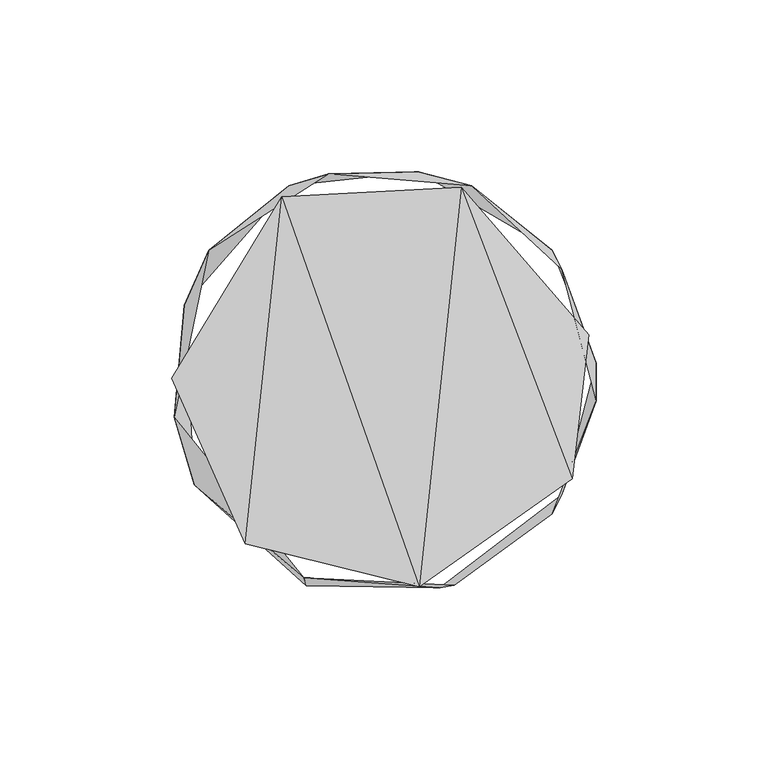
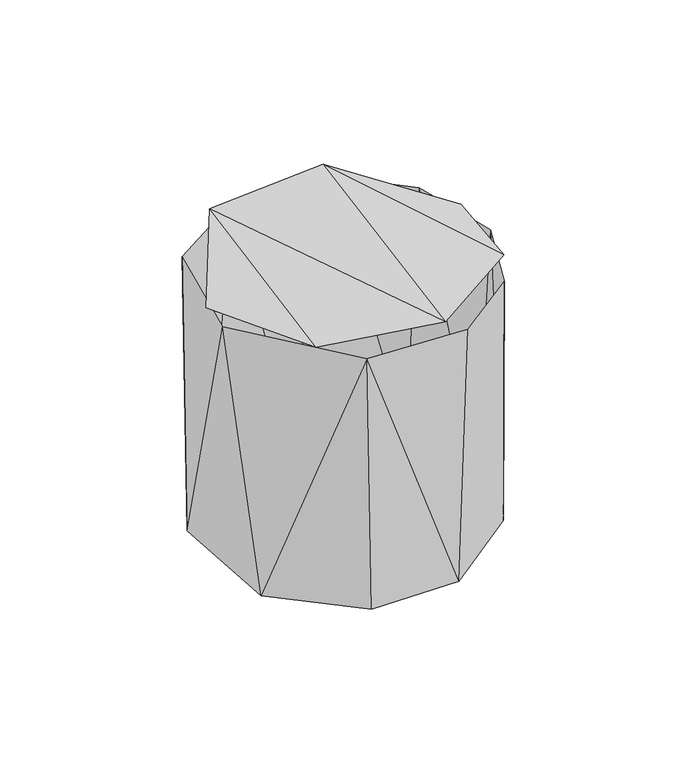
"""IFC4 building model written with IfcOpenShell, lengths in millimetres: furniture geometry."""

from ifc_helpers import new_model, si_unit, origin, place, context, project, spatial, triangles, source, transform, mapped, element, save


def furniture_f6d844e3(model_context):
    return source(origin(), model_context, "Body", "Tessellation", [
        triangles([(-28.6904385, 53.8409814, 123.4259873), (11.3433529, -59.5310729, 124.6962041), (-39.3698898, -47.0908938, 122.9261541), (23.5489759, 56.5941019, 124.6086731), (55.7461522, -28.1086381, 121.8256489), (60.6709197, 13.7290584, 118.5837411), (-60.6981301, 1.1327341, 119.625002)], [[1, 2, 3], [1, 4, 2], [4, 5, 2], [4, 6, 5], [7, 1, 3]], closed=False),
        triangles([(-28.6904385, 53.8409814, 123.4259873), (-39.3698898, -47.0908938, 122.9261541), (11.3433529, -59.5310729, 124.6962041), (23.5489759, 56.5941019, 124.6086731), (55.7461522, -28.1086381, 121.8256489), (60.6709197, 13.7290584, 118.5837411), (-60.6981301, 1.1327341, 119.625002), (-60.0051173, -10.2304223, 117.474997), (-54.1272921, -29.8500312, 0.0), (-22.3422114, -57.0189397, 117.474997), (-57.0194211, 22.3428245, 0.0), (26.6450647, 57.1077242, 117.474997), (49.9470103, 38.3261899, 0.0), (10.9843461, 61.1475122, 0.0), (52.8084318, 32.8264461, 117.474997), (-49.9469059, 38.3261672, 117.474997), (-26.644967, 57.1077152, 0.0), (-14.9731231, 60.526588, 117.474997), (62.7788307, 5.4788739, 0.0), (62.778817, -5.4777412, 117.474997), (52.8084409, -32.8253288, 0.0), (49.947024, -38.3250499, 117.474997), (17.2959487, -59.9031068, 0.0), (21.5400756, -59.2211854, 117.474997), (-21.5399302, -59.2211944, 0.0)], [[1, 2, 3], [1, 3, 4], [4, 3, 5], [4, 5, 6], [7, 2, 1], [8, 9, 10], [9, 8, 11], [12, 13, 14], [13, 12, 15], [16, 17, 11], [17, 16, 18], [14, 18, 12], [13, 15, 19], [20, 19, 15], [18, 14, 17], [19, 20, 21], [16, 11, 8], [22, 21, 20], [22, 23, 21], [23, 22, 24], [23, 24, 10], [10, 25, 23], [10, 9, 25]], closed=False),
    ])


if __name__ == "__main__":
    model = new_model("IFC4")
    model_context = context("Model", 3, world=origin())
    ifc_project = project(units=[si_unit("LENGTHUNIT", "METRE", prefix="MILLI")], contexts=[model_context])
    site = spatial("IfcSite", under=ifc_project)
    building = spatial("IfcBuilding", under=site)
    placement = place(None, origin())
    furniture_shape = furniture_f6d844e3(model_context)
    element("IfcFurniture", 1, at=placement, inside=building, context=model_context, shape_type="MappedRepresentation", body=[
        mapped(furniture_shape, transform((0.0, 0.0, 0.0), x_axis=(1.0, 0.0, 0.0), y_axis=(0.0, 1.0, 0.0), z_axis=(0.0, 0.0, 1.0))),
    ])
    save(model, "model.ifc")
